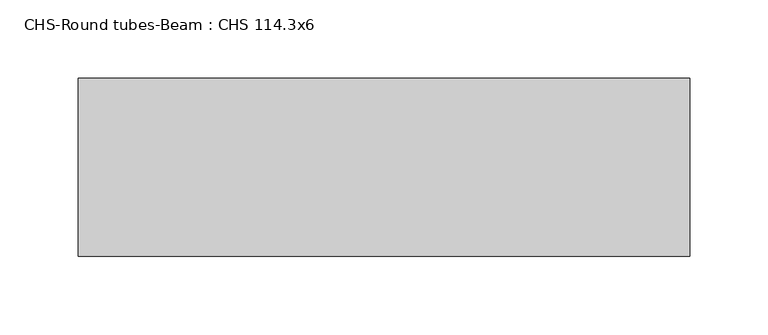
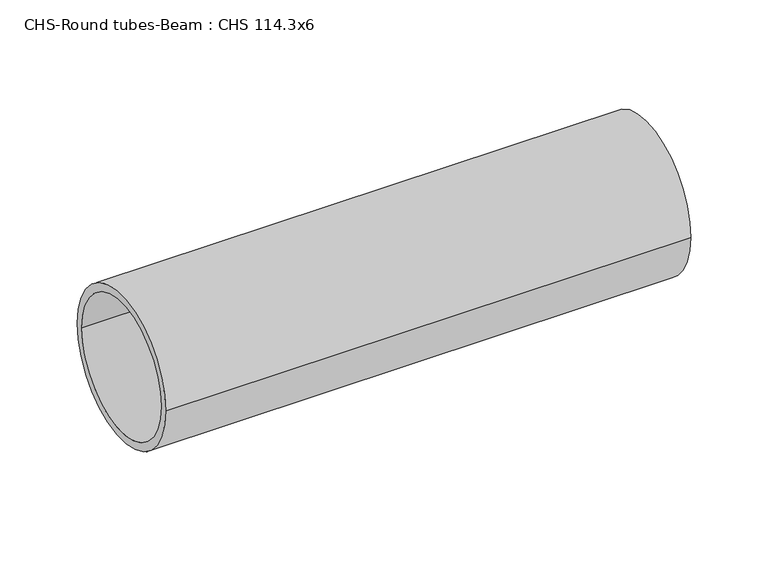
"""IFC4 building model written with IfcOpenShell, lengths in millimetres: beam geometry, CHS-Round tubes-Beam : CHS 114.3x6."""

from ifc_helpers import new_model, si_unit, point, frame, origin, origin_2d, place, context, project, spatial, circle_curve, trimmed, segment, composite_curve, outline, extrude, source, transform, mapped, element, save


def chs_round_tubes_beam_chs_114_3x6_5f995360(model_context):
    return source(origin(), model_context, "Body", "SweptSolid", [
        extrude(outline(composite_curve([segment(trimmed(circle_curve(origin_2d(), 57.15), [point((57.15, 0.0))], [point((-57.15, 0.0))], False, "CARTESIAN"), True, "CONTINUOUS"), segment(trimmed(circle_curve(origin_2d(), 57.15), [point((-57.15, 0.0))], [point((57.15, 0.0))], False, "CARTESIAN"), True, "CONTINUOUS")], self_intersect=False), holes=[composite_curve([segment(trimmed(circle_curve(origin_2d(), 51.15), [point((51.15, 0.0))], [point((-51.15, 0.0))], True, "CARTESIAN"), True, "CONTINUOUS"), segment(trimmed(circle_curve(origin_2d(), 51.15), [point((-51.15, 0.0))], [point((51.15, 0.0))], True, "CARTESIAN"), True, "CONTINUOUS")], self_intersect=False)]), frame((-259.4316948, 0.0, 0.0), z_axis=(1.0, 0.0, 0.0), x_axis=(0.0, 1.0, 0.0)), (0.0, 0.0, 1.0), 391.9954128),
    ])


if __name__ == "__main__":
    model = new_model("IFC4")
    model_context = context("Model", 3, world=origin())
    ifc_project = project(units=[si_unit("LENGTHUNIT", "METRE", prefix="MILLI")], contexts=[model_context])
    site = spatial("IfcSite", under=ifc_project)
    building = spatial("IfcBuilding", under=site)
    placement = place(None, origin())
    chs_round_tubes_beam_chs_114_3x6_shape = chs_round_tubes_beam_chs_114_3x6_5f995360(model_context)
    element("IfcBeam", 1, ObjectType="CHS-Round tubes-Beam : CHS 114.3x6", at=placement, inside=building, context=model_context, shape_type="MappedRepresentation", body=[
        mapped(chs_round_tubes_beam_chs_114_3x6_shape, transform((0.0, 0.0, 0.0), x_axis=(1.0, 0.0, 0.0), y_axis=(0.0, 1.0, 0.0), z_axis=(0.0, 0.0, 1.0))),
    ])
    save(model, "model.ifc")
